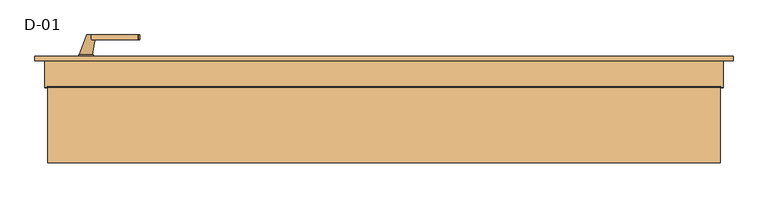
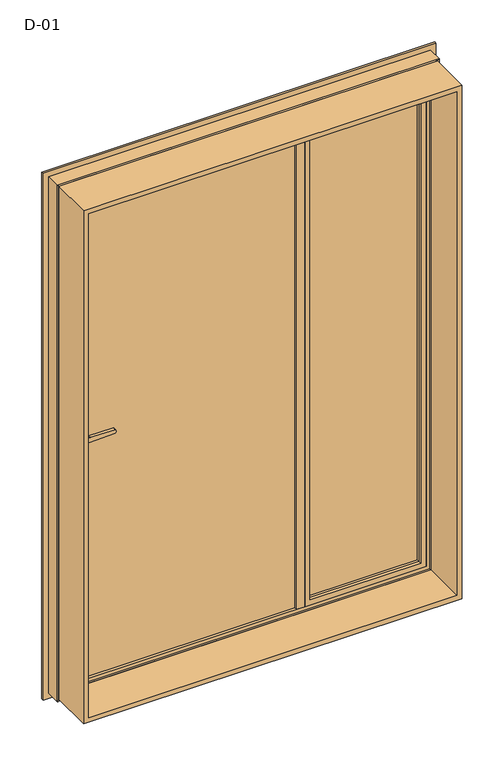
"""IFC4 building model written with IfcOpenShell, lengths in millimetres: door geometry, D-01."""

from ifc_helpers import new_model, si_unit, point, frame, frame_2d, origin, place, context, project, spatial, polyline, circle_curve, ellipse_curve, trimmed, segment, composite_curve, outline, extrude, source, transform, mapped, element, save
from ifc_brep_helpers import plane_surface, cylinder_surface, revolved_surface, spline_surface, advanced_brep


def d_01_8565e7c9(model_context):
    return source(origin(), model_context, "Body", "SolidModel", [
        extrude(outline(polyline([(653.0, 113.6071222), (653.0, 87.6071222), (222.0, 87.6071222), (222.0, 113.6071222), (653.0, 113.6071222)])), frame((0.0, 0.0, 47.0), z_axis=(0.0, 0.0, 1.0), x_axis=(1.0, 0.0, 0.0)), (0.0, 0.0, 1.0), 1906.0),
        extrude(outline(polyline([(1993.8, 693.8), (1993.8, -693.8), (6.2, -693.8), (6.2, 693.8), (1993.8, 693.8)]), holes=[polyline([(24.7, 675.3), (24.7, -675.3), (1975.3, -675.3), (1975.3, 675.3), (24.7, 675.3)])]), frame((0.0, -100.0, 0.0), z_axis=(0.0, 1.0, 0.0), x_axis=(0.0, 0.0, 1.0)), (0.0, 0.0, 1.0), 165.9999813),
        advanced_brep(
        [(640.0002274, 80.27702, 1940.0002274), (637.8577308, 87.6071222, 1937.8577308), (637.8577308, 87.6071222, 62.1422692), (640.0002274, 80.27702, 59.9997726), (660.0002274, 87.6071222, 39.9997726), (215.0, 87.6071222, 39.9997726), (215.0, 87.6071222, 1960.0002274), (660.0002274, 87.6071222, 1960.0002274), (237.1424966, 87.6071222, 1937.8577308), (237.1424966, 87.6071222, 62.1422692), (235.0, 80.27702, 59.9997726), (640.0002274, 68.9999298, 1940.0002274), (640.0002274, 68.9999298, 59.9997726), (235.0, 68.9999298, 59.9997726), (660.0002274, 68.9999298, 1960.0002274), (215.0, 68.9999298, 1960.0002274), (215.0, 68.9999298, 39.9997726), (660.0002274, 68.9999298, 39.9997726), (235.0, 68.9999298, 1940.0002274), (235.0, 80.27702, 1940.0002274)],
        [
            (0, 1, ellipse_curve(frame((620.3928156, 78.5241839, 1920.3928156), z_axis=(-0.7071067811865475, 0.0, 0.7071067811865475), x_axis=(-0.7071067811865474, 0.0, -0.7071067811865476)), 27.839649, 19.6856046)),
            (1, 2),
            (2, 3, ellipse_curve(frame((620.3928156, 78.5241839, 79.6071844), z_axis=(-0.7071067811865475, 0.0, -0.7071067811865475), x_axis=(0.7071067811865474, 0.0, -0.7071067811865476)), 27.839649, 19.6856046)),
            (3, 0),
            (4, 5),
            (5, 6),
            (6, 7),
            (7, 4),
            (1, 8),
            (8, 9),
            (9, 2),
            (9, 10, ellipse_curve(frame((254.6074117, 78.5241839, 79.6071844), z_axis=(-0.7071067811865475, 0.0, 0.7071067811865475), x_axis=(-0.7071067811865476, 0.0, -0.7071067811865474)), 27.839649, 19.6856046)),
            (10, 3),
            (11, 0),
            (3, 12),
            (12, 11),
            (10, 13),
            (13, 12),
            (14, 15),
            (15, 16),
            (16, 17),
            (17, 14),
            (13, 18),
            (18, 11),
            (7, 14),
            (17, 4),
            (16, 5),
            (8, 19, ellipse_curve(frame((254.6074117, 78.5241839, 1920.3928156), z_axis=(0.7071067811865475, 0.0, 0.7071067811865475), x_axis=(-0.7071067811865474, 0.0, 0.7071067811865476)), 27.839649, 19.6856046)),
            (19, 10),
            (19, 18),
            (15, 6),
            (0, 19),
        ],
        [
            revolved_surface(polyline([(640.0784202, 78.5241839, 59.921579806246655), (640.0784202, 78.5241839, 1940.0784201937533)]), (620.3928156, 78.5241839, 1960.0002274), (0.0, 0.0, -1.0)),
            plane_surface(frame((215.0, 87.6071222, 1960.0002274), z_axis=(0.0, 1.0, 0.0), x_axis=(1.0, 0.0, 0.0))),
            revolved_surface(polyline([(234.92180710624672, 78.5241839, 59.92157979999999), (640.0784201937532, 78.5241839, 59.92157979999999)]), (660.0002274, 78.5241839, 79.6071844), (-1.0, 0.0, 0.0)),
            plane_surface(frame((640.0002274, 80.27702, 1940.0002274), z_axis=(-1.0, 0.0, 0.0), x_axis=(0.0, 0.0, -1.0))),
            plane_surface(frame((640.0002274, 80.27702, 59.9997726), z_axis=(0.0, 0.0, 1.0), x_axis=(-1.0, 0.0, 0.0))),
            plane_surface(frame((235.0, 68.9999298, 1940.0002274), z_axis=(0.0, -1.0, 0.0), x_axis=(1.0, 0.0, 0.0))),
            plane_surface(frame((660.0002274, 68.9999298, 1960.0002274), z_axis=(1.0, 0.0, 0.0), x_axis=(0.0, 0.0, -1.0))),
            plane_surface(frame((660.0002274, 68.9999298, 39.9997726), z_axis=(0.0, 0.0, -1.0), x_axis=(-1.0, 0.0, 0.0))),
            revolved_surface(polyline([(234.9218071, 78.5241839, 1940.0784201937533), (234.9218071, 78.5241839, 59.92157980624671)]), (254.6074117, 78.5241839, 39.9997726), (0.0, 0.0, 1.0)),
            plane_surface(frame((235.0, 80.27702, 59.9997726), z_axis=(1.0, 0.0, 0.0), x_axis=(0.0, 0.0, 1.0))),
            plane_surface(frame((215.0, 68.9999298, 39.9997726), z_axis=(-1.0, 0.0, 0.0), x_axis=(0.0, 0.0, 1.0))),
            revolved_surface(polyline([(640.0784201937532, 78.5241839, 1940.0784202), (234.92180710624672, 78.5241839, 1940.0784202)]), (215.0, 78.5241839, 1920.3928156), (1.0, 0.0, 0.0)),
            plane_surface(frame((235.0, 80.27702, 1940.0002274), z_axis=(0.0, 0.0, -1.0), x_axis=(1.0, 0.0, 0.0))),
            plane_surface(frame((215.0, 68.9999298, 1960.0002274), z_axis=(0.0, 0.0, 1.0), x_axis=(1.0, 0.0, 0.0))),
        ],
        [
            (0, [[1, 2, 3, 4]]),
            (1, [[5, 6, 7, 8], [9, 10, 11, -2]]),
            (2, [[-3, -11, 12, 13]]),
            (3, [[14, -4, 15, 16]]),
            (4, [[-15, -13, 17, 18]]),
            (5, [[19, 20, 21, 22], [-18, 23, 24, -16]]),
            (6, [[25, -22, 26, -8]]),
            (7, [[-26, -21, 27, -5]]),
            (8, [[-12, -10, 28, 29]]),
            (9, [[-17, -29, 30, -23]]),
            (10, [[-27, -20, 31, -6]]),
            (11, [[-28, -9, -1, 32]]),
            (12, [[-30, -32, -14, -24]]),
            (13, [[-31, -19, -25, -7]]),
        ],
    ),
        extrude(outline(polyline([(164.9999652, 119.0008502), (235.0000026, 119.0008502), (235.0000026, 115.4008502), (215.0000187, 115.4008502), (215.0000187, 68.9999299), (184.9999813, 68.9999299), (184.9999813, 115.4008502), (164.9999652, 115.4008502), (164.9999652, 119.0008502)])), frame((0.0, 0.0, 39.9997726), z_axis=(0.0, 0.0, 1.0), x_axis=(1.0, 0.0, 0.0)), (0.0, 0.0, 1.0), 1920.0004547),
        extrude(outline(composite_curve([segment(polyline([(895.7, -610.0), (908.3261365, -610.0)]), True, "CONTINUOUS"), segment(trimmed(circle_curve(frame_2d((915.2, -615.0)), 8.5), [point((908.3261365, -610.0))], [point((908.3261365, -620.0))], False, "CARTESIAN"), True, "CONTINUOUS"), segment(polyline([(908.3261365, -620.0), (895.7, -620.0)]), True, "CONTINUOUS"), segment(trimmed(circle_curve(frame_2d((895.7, -615.0)), 5.0), [point((895.7, -620.0))], [point((895.7, -610.0))], False, "CARTESIAN"), True, "CONTINUOUS")], self_intersect=False)), frame((0.0, 112.2000063, 0.0), z_axis=(0.0, 1.0, 0.0), x_axis=(0.0, 0.0, 1.0)), (0.0, 0.0, 1.0), 11.0),
        extrude(outline(composite_curve([segment(trimmed(circle_curve(frame_2d((956.1155661, -615.0)), 97.2636214), [point((860.0, -629.9))], [point((860.0, -600.1))], False, "CARTESIAN"), True, "CONTINUOUS"), segment(polyline([(860.0, -600.1), (1078.5, -600.1)]), True, "CONTINUOUS"), segment(trimmed(circle_curve(frame_2d((982.3844339, -615.0)), 97.2636214), [point((1078.5, -600.1))], [point((1078.5, -629.9))], False, "CARTESIAN"), True, "CONTINUOUS"), segment(polyline([(1078.5, -629.9), (860.0, -629.9)]), True, "CONTINUOUS")], self_intersect=False), holes=[composite_curve([segment(polyline([(895.7, -620.0), (908.3261365, -620.0)]), True, "CONTINUOUS"), segment(trimmed(circle_curve(frame_2d((915.2, -615.0)), 8.5), [point((908.3261365, -620.0))], [point((908.3261365, -610.0))], True, "CARTESIAN"), True, "CONTINUOUS"), segment(polyline([(908.3261365, -610.0), (895.7, -610.0)]), True, "CONTINUOUS"), segment(trimmed(circle_curve(frame_2d((895.7, -615.0)), 5.0), [point((895.7, -610.0))], [point((895.7, -620.0))], True, "CARTESIAN"), True, "CONTINUOUS")], self_intersect=False)]), frame((0.0, 112.2000063, 0.0), z_axis=(0.0, 1.0, 0.0), x_axis=(0.0, 0.0, 1.0)), (0.0, 0.0, 1.0), 10.0),
        extrude(outline(composite_curve([segment(polyline([(1009.5, -604.0), (990.5, -604.0), (993.0308731, -507.3498556)]), True, "CONTINUOUS"), segment(trimmed(circle_curve(frame_2d((995.0301877, -507.4022095)), 2.0), [point((993.0308731, -507.3498556))], [point((994.5125497, -505.4703579))], False, "CARTESIAN"), True, "CONTINUOUS"), segment(polyline([(994.5125497, -505.4703579), (1000.0, -504.0), (1005.4874503, -505.4703579)]), True, "CONTINUOUS"), segment(trimmed(circle_curve(frame_2d((1004.9698123, -507.4022095)), 2.0), [point((1005.4874503, -505.4703579))], [point((1006.9691269, -507.3498556))], False, "CARTESIAN"), True, "CONTINUOUS"), segment(polyline([(1006.9691269, -507.3498556), (1009.5, -604.0)]), True, "CONTINUOUS")], self_intersect=False)), frame((0.0, 153.2000063, 0.0), z_axis=(0.0, 1.0, 0.0), x_axis=(0.0, 0.0, 1.0)), (0.0, 0.0, 1.0), 10.0),
        advanced_brep(
        [(-613.5, 163.2000063, 1000.0), (-594.5, 163.2000063, 1000.0), (-628.4, 122.2000063, 1000.0), (-601.6, 122.2000063, 1000.0)],
        [
            (0, 1, circle_curve(frame((-604.0, 163.2000063, 1000.0), z_axis=(0.0, 1.0, 0.0), x_axis=(1.0, 0.0, 0.0)), 9.5)),
            (1, 0, circle_curve(frame((-604.0, 163.2000063, 1000.0), z_axis=(0.0, 1.0, 0.0), x_axis=(1.0, 0.0, 0.0)), 9.5)),
            (2, 3, circle_curve(frame((-615.0, 122.2000063, 1000.0), z_axis=(0.0, -1.0, 0.0), x_axis=(1.0, 0.0, 0.0)), 13.4)),
            (3, 2, circle_curve(frame((-615.0, 122.2000063, 1000.0), z_axis=(0.0, -1.0, 0.0), x_axis=(1.0, 0.0, 0.0)), 13.4)),
            (2, 0),
            (1, 3),
        ],
        [
            plane_surface(frame((-604.0, 163.2000063, 1000.0), z_axis=(0.0, 1.0, 0.0), x_axis=(0.0, 0.0, -1.0))),
            plane_surface(frame((-615.0, 122.2000063, 1000.0), z_axis=(0.0, -1.0, 0.0), x_axis=(0.0, 0.0, -1.0))),
            spline_surface(1, 2, [[(-628.4, 122.2000063, 1000.0), (-628.4, 122.2000063, 986.6), (-615.0, 122.2000063, 986.6), (-601.6, 122.2000063, 986.6), (-601.6, 122.2000063, 1000.0)], [(-613.5, 163.2000063, 1000.0), (-613.5, 163.2000063, 990.5), (-604.0, 163.2000063, 990.5), (-594.5, 163.2000063, 990.5), (-594.5, 163.2000063, 1000.0)]], [2, 2], [3, 2, 3], [0.0, 1.0], [0.0, 1.0, 2.0], weights=[[1.0, 0.7071067811865476, 1.0, 0.7071067811865476, 1.0], [1.0, 0.7071067811865476, 1.0, 0.7071067811865476, 1.0]]),
            spline_surface(1, 2, [[(-601.6, 122.2000063, 1000.0), (-601.6, 122.2000063, 1013.4), (-615.0, 122.2000063, 1013.4), (-628.4, 122.2000063, 1013.4), (-628.4, 122.2000063, 1000.0)], [(-594.5, 163.2000063, 1000.0), (-594.5, 163.2000063, 1009.5), (-604.0, 163.2000063, 1009.5), (-613.5, 163.2000063, 1009.5), (-613.5, 163.2000063, 1000.0)]], [2, 2], [3, 2, 3], [0.0, 1.0], [0.0, 1.0, 2.0], weights=[[1.0, 0.7071067811865476, 1.0, 0.7071067811865476, 1.0], [1.0, 0.7071067811865476, 1.0, 0.7071067811865476, 1.0]]),
        ],
        [
            (0, [[1, 2]]),
            (1, [[3, 4]]),
            (2, [[5, -2, 6, -3]]),
            (3, [[-6, -1, -5, -4]]),
        ],
    ),
        extrude(outline(composite_curve([segment(polyline([(895.7, -610.0), (908.3261365, -610.0)]), True, "CONTINUOUS"), segment(trimmed(circle_curve(frame_2d((915.2, -615.0)), 8.5), [point((908.3261365, -610.0))], [point((908.3261365, -620.0))], False, "CARTESIAN"), True, "CONTINUOUS"), segment(polyline([(908.3261365, -620.0), (895.7, -620.0)]), True, "CONTINUOUS"), segment(trimmed(circle_curve(frame_2d((895.7, -615.0)), 5.0), [point((895.7, -620.0))], [point((895.7, -610.0))], False, "CARTESIAN"), True, "CONTINUOUS")], self_intersect=False)), frame((0.0, 62.2000063, 0.0), z_axis=(0.0, 1.0, 0.0), x_axis=(0.0, 0.0, 1.0)), (0.0, 0.0, 1.0), 11.0),
        extrude(outline(composite_curve([segment(trimmed(circle_curve(frame_2d((956.1155661, -615.0)), 97.2636214), [point((860.0, -629.9))], [point((860.0, -600.1))], False, "CARTESIAN"), True, "CONTINUOUS"), segment(polyline([(860.0, -600.1), (1078.5, -600.1)]), True, "CONTINUOUS"), segment(trimmed(circle_curve(frame_2d((982.3844339, -615.0)), 97.2636214), [point((1078.5, -600.1))], [point((1078.5, -629.9))], False, "CARTESIAN"), True, "CONTINUOUS"), segment(polyline([(1078.5, -629.9), (860.0, -629.9)]), True, "CONTINUOUS")], self_intersect=False), holes=[composite_curve([segment(polyline([(895.7, -620.0), (908.3261365, -620.0)]), True, "CONTINUOUS"), segment(trimmed(circle_curve(frame_2d((915.2, -615.0)), 8.5), [point((908.3261365, -620.0))], [point((908.3261365, -610.0))], True, "CARTESIAN"), True, "CONTINUOUS"), segment(polyline([(908.3261365, -610.0), (895.7, -610.0)]), True, "CONTINUOUS"), segment(trimmed(circle_curve(frame_2d((895.7, -615.0)), 5.0), [point((895.7, -610.0))], [point((895.7, -620.0))], True, "CARTESIAN"), True, "CONTINUOUS")], self_intersect=False)]), frame((0.0, 63.2000063, 0.0), z_axis=(0.0, 1.0, 0.0), x_axis=(0.0, 0.0, 1.0)), (0.0, 0.0, 1.0), 10.0),
        extrude(outline(composite_curve([segment(polyline([(1009.5, -604.0), (990.5, -604.0), (993.0308731, -507.3498556)]), True, "CONTINUOUS"), segment(trimmed(circle_curve(frame_2d((995.0301877, -507.4022095)), 2.0), [point((993.0308731, -507.3498556))], [point((994.5125497, -505.4703579))], False, "CARTESIAN"), True, "CONTINUOUS"), segment(polyline([(994.5125497, -505.4703579), (1000.0, -504.0), (1005.4874503, -505.4703579)]), True, "CONTINUOUS"), segment(trimmed(circle_curve(frame_2d((1004.9698123, -507.4022095)), 2.0), [point((1005.4874503, -505.4703579))], [point((1006.9691269, -507.3498556))], False, "CARTESIAN"), True, "CONTINUOUS"), segment(polyline([(1006.9691269, -507.3498556), (1009.5, -604.0)]), True, "CONTINUOUS")], self_intersect=False)), frame((0.0, 22.2000063, 0.0), z_axis=(0.0, 1.0, 0.0), x_axis=(0.0, 0.0, 1.0)), (0.0, 0.0, 1.0), 10.0),
        advanced_brep(
        [(-613.5, 22.2000063, 1000.0), (-594.5, 22.2000063, 1000.0), (-628.4, 63.2000063, 1000.0), (-601.6, 63.2000063, 1000.0)],
        [
            (0, 1, circle_curve(frame((-604.0, 22.2000063, 1000.0), z_axis=(0.0, -1.0, 0.0), x_axis=(1.0, 0.0, 0.0)), 9.5)),
            (1, 0, circle_curve(frame((-604.0, 22.2000063, 1000.0), z_axis=(0.0, -1.0, 0.0), x_axis=(1.0, 0.0, 0.0)), 9.5)),
            (2, 3, circle_curve(frame((-615.0, 63.2000063, 1000.0), z_axis=(0.0, 1.0, 0.0), x_axis=(1.0, 0.0, 0.0)), 13.4)),
            (3, 2, circle_curve(frame((-615.0, 63.2000063, 1000.0), z_axis=(0.0, 1.0, 0.0), x_axis=(1.0, 0.0, 0.0)), 13.4)),
            (3, 1),
            (0, 2),
        ],
        [
            plane_surface(frame((-604.0, 22.2000063, 1000.0), z_axis=(0.0, -1.0, 0.0), x_axis=(0.0, 0.0, -1.0))),
            plane_surface(frame((-615.0, 63.2000063, 1000.0), z_axis=(0.0, 1.0, 0.0), x_axis=(0.0, 0.0, -1.0))),
            spline_surface(2, 1, [[(-628.4, 63.2000063, 1000.0), (-613.5, 22.2000063, 1000.0)], [(-628.4, 63.2000063, 986.6), (-613.5, 22.2000063, 990.5)], [(-615.0, 63.2000063, 986.6), (-604.0, 22.2000063, 990.5)], [(-601.6, 63.2000063, 986.6), (-594.5, 22.2000063, 990.5)], [(-601.6, 63.2000063, 1000.0), (-594.5, 22.2000063, 1000.0)]], [3, 2, 3], [2, 2], [0.0, 1.0, 2.0], [0.0, 1.0], weights=[[1.0, 1.0], [0.7071067811865476, 0.7071067811865476], [1.0, 1.0], [0.7071067811865476, 0.7071067811865476], [1.0, 1.0]]),
            spline_surface(2, 1, [[(-601.6, 63.2000063, 1000.0), (-594.5, 22.2000063, 1000.0)], [(-601.6, 63.2000063, 1013.4), (-594.5, 22.2000063, 1009.5)], [(-615.0, 63.2000063, 1013.4), (-604.0, 22.2000063, 1009.5)], [(-628.4, 63.2000063, 1013.4), (-613.5, 22.2000063, 1009.5)], [(-628.4, 63.2000063, 1000.0), (-613.5, 22.2000063, 1000.0)]], [3, 2, 3], [2, 2], [0.0, 1.0, 2.0], [0.0, 1.0], weights=[[1.0, 1.0], [0.7071067811865476, 0.7071067811865476], [1.0, 1.0], [0.7071067811865476, 0.7071067811865476], [1.0, 1.0]]),
        ],
        [
            (0, [[1, 2]]),
            (1, [[3, 4]]),
            (2, [[-4, 5, -1, 6]]),
            (3, [[-3, -6, -2, -5]]),
        ],
    ),
        extrude(outline(polyline([(179.0, 73.2000063), (-655.0, 73.2000063), (-655.0, 112.2000063), (179.0, 112.2000063), (179.0, 73.2000063)])), frame((0.0, 0.0, 45.0), z_axis=(0.0, 0.0, 1.0), x_axis=(1.0, 0.0, 0.0)), (0.0, 0.0, 1.0), 1910.0),
        advanced_brep(
        [(720.000038, 110.0, 2020.000038), (720.000038, 110.0, -20.000038), (720.000038, 118.9999375, -20.000038), (720.000038, 118.9999375, 2020.000038), (-720.000038, 118.9999375, 2020.000038), (-720.000038, 118.9999375, -20.000038), (640.0004584, 118.9999375, 1940.0004584), (-640.0004584, 118.9999375, 1940.0004584), (-640.0004584, 118.9999375, 59.9995416), (640.0004584, 118.9999375, 59.9995416), (-720.000038, 110.0, -20.000038), (-720.000038, 110.0, 2020.000038), (-700.0, 110.0, 2000.0), (700.0, 110.0, 2000.0), (700.0, 110.0, 0.0), (-700.0, 110.0, 0.0), (700.0, 54.8507969, 2000.0), (700.0, 54.8507969, 0.0), (-700.0, 54.8507969, 0.0), (695.0001465, 54.8506112, 1995.0001465), (695.0001465, 54.8506112, 4.9998535), (-695.0001465, 54.8506112, 4.9998535), (695.0001465, 56.5920405, 1995.0001465), (695.0001465, 56.5920405, 4.9998535), (-695.0001465, 56.5920405, 4.9998535), (693.8001794, 56.5908144, 1993.8001794), (693.8001794, 56.5908144, 6.1998206), (-693.8001794, 56.5908144, 6.1998206), (693.8001794, 65.9999813, 1993.8001794), (693.8001794, 65.9999813, 6.1998206), (-693.8001794, 65.9999813, 6.1998206), (-693.8001794, 65.9999813, 1993.8001794), (-674.2001794, 65.9999813, 1974.2001794), (674.2001794, 65.9999813, 1974.2001794), (674.2001794, 65.9999813, 25.7998206), (-674.2001794, 65.9999813, 25.7998206), (674.2001794, 61.9999728, 1974.2001794), (674.2001794, 61.9999728, 25.7998206), (-674.2001794, 61.9999728, 25.7998206), (-674.2001794, 61.9999728, 1974.2001794), (-672.6156704, 61.9999728, 1972.6156704), (672.6156704, 61.9999728, 1972.6156704), (672.6156704, 61.9999728, 27.3843296), (-672.6156704, 61.9999728, 27.3843296), (672.8755675, 68.9999299, 1972.8755675), (672.8755675, 68.9999299, 27.1244325), (-672.8755675, 68.9999299, 27.1244325), (-672.8755675, 68.9999299, 1972.8755675), (-660.0002274, 68.9999299, 1960.0002274), (660.0002274, 68.9999299, 1960.0002274), (660.0002274, 68.9999299, 39.9997726), (-660.0002274, 68.9999299, 39.9997726), (660.0002274, 115.4000063, 1960.0002274), (660.0002274, 115.4000063, 39.9997726), (-660.0002274, 115.4000063, 39.9997726), (-660.0002274, 115.4000063, 1960.0002274), (-640.0004584, 115.4000063, 1940.0004584), (640.0004584, 115.4000063, 1940.0004584), (640.0004584, 115.4000063, 59.9995416), (-640.0004584, 115.4000063, 59.9995416), (-700.0, 54.8507969, 2000.0), (-695.0001465, 54.8506112, 1995.0001465), (-695.0001465, 56.5920405, 1995.0001465), (-693.8001794, 56.5908144, 1993.8001794)],
        [
            (0, 1),
            (1, 2),
            (2, 3),
            (3, 0),
            (4, 3),
            (2, 5),
            (5, 4),
            (6, 7),
            (7, 8),
            (8, 9),
            (9, 6),
            (1, 10),
            (10, 5),
            (0, 11),
            (11, 10),
            (12, 13),
            (13, 14),
            (14, 15),
            (15, 12),
            (16, 17),
            (17, 14),
            (13, 16),
            (17, 18),
            (18, 15),
            (19, 20),
            (20, 17, ellipse_curve(frame((697.5001465, 52.8785929, 2.4998535), z_axis=(-0.7071067811865475, 0.0, -0.7071067811865475), x_axis=(0.7071067811865474, 0.0, -0.7071067811865476)), 4.5030781, 3.184157)),
            (16, 19, ellipse_curve(frame((697.5001465, 52.8785929, 1997.5001465), z_axis=(-0.7071067811865475, 0.0, 0.7071067811865475), x_axis=(-0.7071067811865474, 0.0, -0.7071067811865476)), 4.5030781, 3.184157)),
            (20, 21),
            (21, 18, ellipse_curve(frame((-697.5001465, 52.8785929, 2.4998535), z_axis=(-0.7071067811865475, 0.0, 0.7071067811865475), x_axis=(-0.7071067811865476, 0.0, -0.7071067811865474)), 4.5030781, 3.184157)),
            (22, 23),
            (23, 20),
            (19, 22),
            (23, 24),
            (24, 21),
            (25, 26),
            (26, 23, ellipse_curve(frame((694.4001534, 56.6007652, 5.5998466), z_axis=(0.7071067811865475, 0.0, 0.7071067811865475), x_axis=(-0.7071067811865474, 0.0, 0.7071067811865476)), 0.8486081, 0.6000566)),
            (22, 25, ellipse_curve(frame((694.4001534, 56.6007652, 1994.4001534), z_axis=(0.7071067811865475, 0.0, -0.7071067811865475), x_axis=(0.7071067811865474, 0.0, 0.7071067811865476)), 0.8486081, 0.6000566)),
            (26, 27),
            (27, 24, ellipse_curve(frame((-694.4001534, 56.6007652, 5.5998466), z_axis=(0.7071067811865475, 0.0, -0.7071067811865475), x_axis=(0.7071067811865476, 0.0, 0.7071067811865474)), 0.8486081, 0.6000566)),
            (28, 29),
            (29, 26),
            (25, 28),
            (29, 30),
            (30, 27),
            (28, 31),
            (31, 30),
            (32, 33),
            (33, 34),
            (34, 35),
            (35, 32),
            (36, 37),
            (37, 34),
            (33, 36),
            (37, 38),
            (38, 35),
            (36, 39),
            (39, 38),
            (40, 41),
            (41, 42),
            (42, 43),
            (43, 40),
            (44, 45),
            (45, 42),
            (41, 44),
            (45, 46),
            (46, 43),
            (44, 47),
            (47, 46),
            (48, 49),
            (49, 50),
            (50, 51),
            (51, 48),
            (52, 53),
            (53, 50),
            (49, 52),
            (53, 54),
            (54, 51),
            (52, 55),
            (55, 54),
            (56, 57),
            (57, 58),
            (58, 59),
            (59, 56),
            (9, 58),
            (57, 6),
            (8, 59),
            (11, 4),
            (18, 60),
            (60, 12),
            (21, 61),
            (61, 60, ellipse_curve(frame((-697.5001465, 52.8785929, 1997.5001465), z_axis=(0.7071067811865475, 0.0, 0.7071067811865475), x_axis=(-0.7071067811865474, 0.0, 0.7071067811865476)), 4.5030781, 3.184157)),
            (24, 62),
            (62, 61),
            (27, 63),
            (63, 62, ellipse_curve(frame((-694.4001534, 56.6007652, 1994.4001534), z_axis=(-0.7071067811865475, 0.0, -0.7071067811865475), x_axis=(0.7071067811865474, 0.0, -0.7071067811865476)), 0.8486081, 0.6000566)),
            (31, 63),
            (39, 32),
            (47, 40),
            (55, 48),
            (7, 56),
            (60, 16),
            (61, 19),
            (62, 22),
            (63, 25),
        ],
        [
            plane_surface(frame((720.000038, 118.9999375, 2020.000038), z_axis=(1.0, 0.0, 0.0), x_axis=(0.0, 0.0, -1.0))),
            plane_surface(frame((-640.0004584, 118.9999375, 59.9995416), z_axis=(0.0, 1.0, 0.0), x_axis=(0.0, 0.0, 1.0))),
            plane_surface(frame((720.000038, 118.9999375, -20.000038), z_axis=(0.0, 0.0, -1.0), x_axis=(-1.0, 0.0, 0.0))),
            plane_surface(frame((-720.000038, 110.0, -20.000038), z_axis=(0.0, -1.0, 0.0), x_axis=(0.0, 0.0, 1.0))),
            plane_surface(frame((700.0, 110.0, 2000.0), z_axis=(1.0, 0.0, 0.0), x_axis=(0.0, 0.0, -1.0))),
            plane_surface(frame((700.0, 110.0, 0.0), z_axis=(0.0, 0.0, -1.0), x_axis=(-1.0, 0.0, 0.0))),
            revolved_surface(polyline([(700.6843035, 52.8785929, -0.6843035607225829), (700.6843035, 52.8785929, 2000.6843035607226)]), (697.5001465, 52.8785929, 2000.0), (0.0, 0.0, -1.0)),
            revolved_surface(polyline([(-700.6843035607226, 52.8785929, -0.6843035), (700.6843035607227, 52.8785929, -0.6843035)]), (700.0, 52.8785929, 2.4998535), (-1.0, 0.0, 0.0)),
            plane_surface(frame((695.0001465, 54.8506112, 1995.0001465), z_axis=(-1.0, 0.0, 0.0), x_axis=(0.0, 0.0, -1.0))),
            plane_surface(frame((695.0001465, 54.8506112, 4.9998535), z_axis=(0.0, 0.0, 1.0), x_axis=(-1.0, 0.0, 0.0))),
            cylinder_surface(frame((694.4001534, 56.6007652, 2000.0), z_axis=(0.0, 0.0, 1.0), x_axis=(1.0, 0.0, 0.0)), 0.6000566),
            cylinder_surface(frame((700.0, 56.6007652, 5.5998466), z_axis=(1.0, 0.0, 0.0), x_axis=(0.0, 0.0, -1.0)), 0.6000566),
            plane_surface(frame((693.8001794, 56.5908144, 1993.8001794), z_axis=(-1.0, 0.0, 0.0), x_axis=(0.0, 0.0, -1.0))),
            plane_surface(frame((693.8001794, 56.5908144, 6.1998206), z_axis=(0.0, 0.0, 1.0), x_axis=(-1.0, 0.0, 0.0))),
            plane_surface(frame((-693.8001794, 65.9999813, 6.1998206), z_axis=(0.0, -1.0, 0.0), x_axis=(0.0, 0.0, 1.0))),
            plane_surface(frame((674.2001794, 65.9999813, 1974.2001794), z_axis=(1.0, 0.0, 0.0), x_axis=(0.0, 0.0, -1.0))),
            plane_surface(frame((674.2001794, 65.9999813, 25.7998206), z_axis=(0.0, 0.0, -1.0), x_axis=(-1.0, 0.0, 0.0))),
            plane_surface(frame((-674.2001794, 61.9999728, 25.7998206), z_axis=(0.0, -1.0, 0.0), x_axis=(0.0, 0.0, 1.0))),
            plane_surface(frame((672.6156704, 61.9999728, 1972.6156704), z_axis=(-0.9993114533203381, 0.03710282014609819, 0.0), x_axis=(0.0, 0.0, -1.0))),
            plane_surface(frame((672.6156704, 61.9999728, 27.3843296), z_axis=(0.0, 0.03710282014609207, 0.9993114533203383), x_axis=(-1.0, 0.0, 0.0))),
            plane_surface(frame((-672.8755675, 68.9999299, 27.1244325), z_axis=(0.0, -1.0, 0.0), x_axis=(0.0, 0.0, 1.0))),
            plane_surface(frame((660.0002274, 68.9999299, 1960.0002274), z_axis=(-1.0, 0.0, 0.0), x_axis=(0.0, 0.0, -1.0))),
            plane_surface(frame((660.0002274, 68.9999299, 39.9997726), z_axis=(0.0, 0.0, 1.0), x_axis=(-1.0, 0.0, 0.0))),
            plane_surface(frame((-660.0002274, 115.4000063, 39.9997726), z_axis=(0.0, -1.0, 0.0), x_axis=(0.0, 0.0, 1.0))),
            plane_surface(frame((640.0004584, 115.4000063, 1940.0004584), z_axis=(-1.0, 0.0, 0.0), x_axis=(0.0, 0.0, -1.0))),
            plane_surface(frame((640.0004584, 115.4000063, 59.9995416), z_axis=(0.0, 0.0, 1.0), x_axis=(-1.0, 0.0, 0.0))),
            plane_surface(frame((-720.000038, 118.9999375, -20.000038), z_axis=(-1.0, 0.0, 0.0), x_axis=(0.0, 0.0, 1.0))),
            plane_surface(frame((-700.0, 110.0, 0.0), z_axis=(-1.0, 0.0, 0.0), x_axis=(0.0, 0.0, 1.0))),
            revolved_surface(polyline([(-700.6843035, 52.8785929, 2000.6843035607226), (-700.6843035, 52.8785929, -0.6843035607226331)]), (-697.5001465, 52.8785929, 0.0), (0.0, 0.0, 1.0)),
            plane_surface(frame((-695.0001465, 54.8506112, 4.9998535), z_axis=(1.0, 0.0, 0.0), x_axis=(0.0, 0.0, 1.0))),
            cylinder_surface(frame((-694.4001534, 56.6007652, 0.0), z_axis=(0.0, 0.0, -1.0), x_axis=(-1.0, 0.0, 0.0)), 0.6000566),
            plane_surface(frame((-693.8001794, 56.5908144, 6.1998206), z_axis=(1.0, 0.0, 0.0), x_axis=(0.0, 0.0, 1.0))),
            plane_surface(frame((-674.2001794, 65.9999813, 25.7998206), z_axis=(-1.0, 0.0, 0.0), x_axis=(0.0, 0.0, 1.0))),
            plane_surface(frame((-672.6156704, 61.9999728, 27.3843296), z_axis=(0.9993114533203387, 0.03710282014608596, 0.0), x_axis=(0.0, 0.0, 1.0))),
            plane_surface(frame((-660.0002274, 68.9999299, 39.9997726), z_axis=(1.0, 0.0, 0.0), x_axis=(0.0, 0.0, 1.0))),
            plane_surface(frame((-640.0004584, 115.4000063, 59.9995416), z_axis=(1.0, 0.0, 0.0), x_axis=(0.0, 0.0, 1.0))),
            plane_surface(frame((-720.000038, 118.9999375, 2020.000038), z_axis=(0.0, 0.0, 1.0), x_axis=(1.0, 0.0, 0.0))),
            plane_surface(frame((-700.0, 110.0, 2000.0), z_axis=(0.0, 0.0, 1.0), x_axis=(1.0, 0.0, 0.0))),
            revolved_surface(polyline([(700.6843035607226, 52.8785929, 2000.6843035), (-700.6843035607227, 52.8785929, 2000.6843035)]), (-700.0, 52.8785929, 1997.5001465), (1.0, 0.0, 0.0)),
            plane_surface(frame((-695.0001465, 54.8506112, 1995.0001465), z_axis=(0.0, 0.0, -1.0), x_axis=(1.0, 0.0, 0.0))),
            cylinder_surface(frame((-700.0, 56.6007652, 1994.4001534), z_axis=(-1.0, 0.0, 0.0), x_axis=(0.0, 0.0, 1.0)), 0.6000566),
            plane_surface(frame((-693.8001794, 56.5908144, 1993.8001794), z_axis=(0.0, 0.0, -1.0), x_axis=(1.0, 0.0, 0.0))),
            plane_surface(frame((-674.2001794, 65.9999813, 1974.2001794), z_axis=(0.0, 0.0, 1.0), x_axis=(1.0, 0.0, 0.0))),
            plane_surface(frame((-672.6156704, 61.9999728, 1972.6156704), z_axis=(0.0, 0.03710282014609207, -0.9993114533203383), x_axis=(1.0, 0.0, 0.0))),
            plane_surface(frame((-660.0002274, 68.9999299, 1960.0002274), z_axis=(0.0, 0.0, -1.0), x_axis=(1.0, 0.0, 0.0))),
            plane_surface(frame((-640.0004584, 115.4000063, 1940.0004584), z_axis=(0.0, 0.0, -1.0), x_axis=(1.0, 0.0, 0.0))),
        ],
        [
            (0, [[1, 2, 3, 4]]),
            (1, [[5, -3, 6, 7], [8, 9, 10, 11]]),
            (2, [[12, 13, -6, -2]]),
            (3, [[14, 15, -12, -1], [16, 17, 18, 19]]),
            (4, [[20, 21, -17, 22]]),
            (5, [[23, 24, -18, -21]]),
            (6, [[25, 26, -20, 27]]),
            (7, [[28, 29, -23, -26]]),
            (8, [[30, 31, -25, 32]]),
            (9, [[33, 34, -28, -31]]),
            (10, [[35, 36, -30, 37]]),
            (11, [[38, 39, -33, -36]]),
            (12, [[40, 41, -35, 42]]),
            (13, [[43, 44, -38, -41]]),
            (14, [[45, 46, -43, -40], [47, 48, 49, 50]]),
            (15, [[51, 52, -48, 53]]),
            (16, [[54, 55, -49, -52]]),
            (17, [[56, 57, -54, -51], [58, 59, 60, 61]]),
            (18, [[62, 63, -59, 64]]),
            (19, [[65, 66, -60, -63]]),
            (20, [[67, 68, -65, -62], [69, 70, 71, 72]]),
            (21, [[73, 74, -70, 75]]),
            (22, [[76, 77, -71, -74]]),
            (23, [[78, 79, -76, -73], [80, 81, 82, 83]]),
            (24, [[-11, 84, -81, 85]]),
            (25, [[-10, 86, -82, -84]]),
            (26, [[-15, 87, -7, -13]]),
            (27, [[88, 89, -19, -24]]),
            (28, [[90, 91, -88, -29]]),
            (29, [[92, 93, -90, -34]]),
            (30, [[94, 95, -92, -39]]),
            (31, [[-46, 96, -94, -44]]),
            (32, [[-57, 97, -50, -55]]),
            (33, [[-68, 98, -61, -66]]),
            (34, [[-79, 99, -72, -77]]),
            (35, [[-9, 100, -83, -86]]),
            (36, [[-14, -4, -5, -87]]),
            (37, [[101, -22, -16, -89]]),
            (38, [[102, -27, -101, -91]]),
            (39, [[103, -32, -102, -93]]),
            (40, [[104, -37, -103, -95]]),
            (41, [[-45, -42, -104, -96]]),
            (42, [[-56, -53, -47, -97]]),
            (43, [[-67, -64, -58, -98]]),
            (44, [[-78, -75, -69, -99]]),
            (45, [[-8, -85, -80, -100]]),
        ],
    ),
    ])


if __name__ == "__main__":
    model = new_model("IFC4")
    model_context = context("Model", 3, world=origin())
    ifc_project = project(units=[si_unit("LENGTHUNIT", "METRE", prefix="MILLI")], contexts=[model_context])
    site = spatial("IfcSite", under=ifc_project)
    building = spatial("IfcBuilding", under=site)
    placement = place(None, origin())
    d_01_shape = d_01_8565e7c9(model_context)
    element("IfcDoor", 1, ObjectType="D-01", at=placement, inside=building, context=model_context, shape_type="MappedRepresentation", body=[
        mapped(d_01_shape, transform((0.0, 0.0, 0.0), x_axis=(1.0, 0.0, 0.0), y_axis=(0.0, 1.0, 0.0), z_axis=(0.0, 0.0, 1.0))),
    ])
    save(model, "model.ifc")
